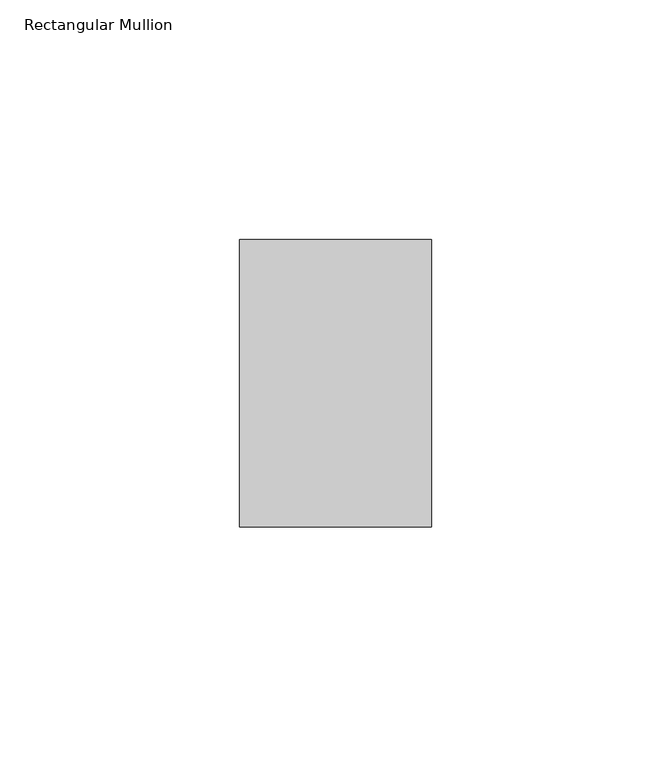
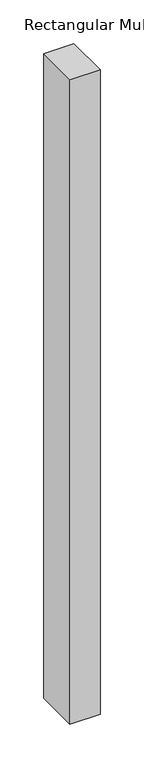
"""IFC4 building model written with IfcOpenShell, lengths in millimetres: member geometry, Rectangular Mullion."""

from ifc_helpers import new_model, si_unit, frame, origin, place, context, project, spatial, polyline, outline, extrude, source, transform, mapped, element, save


def rectangular_mullion_66073638(model_context):
    return source(origin(), model_context, "Body", "SweptSolid", [
        extrude(outline(polyline([(20.0, 65.0), (20.0, 5.0), (-20.0, 5.0), (-20.0, 65.0), (20.0, 65.0)])), frame((0.0, 0.0, -900.0), z_axis=(0.0, 0.0, 1.0), x_axis=(1.0, 0.0, 0.0)), (0.0, 0.0, 1.0), 900.0),
    ])


if __name__ == "__main__":
    model = new_model("IFC4")
    model_context = context("Model", 3, world=origin())
    ifc_project = project(units=[si_unit("LENGTHUNIT", "METRE", prefix="MILLI")], contexts=[model_context])
    site = spatial("IfcSite", under=ifc_project)
    building = spatial("IfcBuilding", under=site)
    placement = place(None, origin())
    rectangular_mullion_shape = rectangular_mullion_66073638(model_context)
    element("IfcMember", 1, ObjectType="Rectangular Mullion", at=placement, inside=building, context=model_context, shape_type="MappedRepresentation", body=[
        mapped(rectangular_mullion_shape, transform((0.0, 0.0, 0.0), x_axis=(1.0, 0.0, 0.0), y_axis=(0.0, 1.0, 0.0), z_axis=(0.0, 0.0, 1.0))),
    ])
    save(model, "model.ifc")
